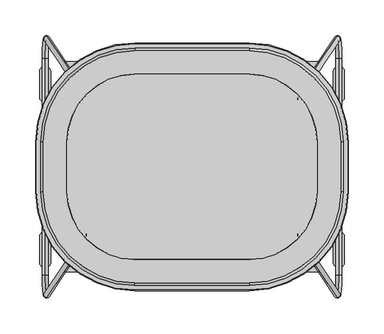
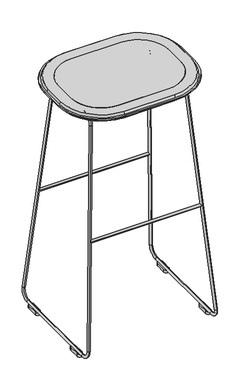
"""IFC4 building model written with IfcOpenShell, lengths in millimetres: furniture geometry."""

from ifc_helpers import new_model, si_unit, point, frame, frame_2d, origin, origin_with_axes, place, context, project, spatial, polyline, circle_curve, ellipse_curve, trimmed, segment, composite_curve, outline, extrude, source, transform, mapped, element, save
from ifc_brep_helpers import plane_surface, cylinder_surface, revolved_surface, advanced_brep


def furniture_90e65d8f(model_context):
    return source(origin(), model_context, "Body", "SolidModel", [
        advanced_brep(
        [(-152.2219568, -73.8518427, 767.2896891), (-151.7075535, -73.8518427, 775.2105032), (152.2243044, -73.8518427, 767.2896891), (151.7099011, -73.8518427, 775.2105032)],
        [
            (0, 1, circle_curve(frame((-151.9647551, -73.8518427, 771.2500961), z_axis=(-0.9978978351611841, 0.0, 0.06480671709492986), x_axis=(0.06480671709492986, 0.0, 0.9978978351611841)), 3.96875)),
            (1, 0, circle_curve(frame((-151.9647551, -73.8518427, 771.2500961), z_axis=(-0.9978978351611841, 0.0, 0.06480671709492986), x_axis=(0.06480671709492986, 0.0, 0.9978978351611841)), 3.96875)),
            (2, 3, circle_curve(frame((151.9671028, -73.8518427, 771.2500961), z_axis=(0.9978978351611819, 0.0, 0.06480671709496476), x_axis=(-0.06480671709496476, 0.0, 0.9978978351611819)), 3.96875)),
            (3, 2, circle_curve(frame((151.9671028, -73.8518427, 771.2500961), z_axis=(0.9978978351611819, 0.0, 0.06480671709496476), x_axis=(-0.06480671709496476, 0.0, 0.9978978351611819)), 3.96875)),
            (2, 0, circle_curve(frame((0.0011738, -73.8518427, 3111.2308621), z_axis=(0.0, 1.0, 0.0), x_axis=(-0.06480671709492986, 0.0, -0.9978978351611841)), 2348.8789036)),
            (1, 3, circle_curve(frame((0.0011738, -73.8518427, 3111.2308621), z_axis=(0.0, -1.0, 0.0), x_axis=(-0.06480671709492986, 0.0, -0.9978978351611841)), 2340.9414036)),
        ],
        [
            plane_surface(frame((-152.2223582, 0.0, 767.2835074), z_axis=(-0.9978978351611841, 0.0, 0.06480671709492986), x_axis=(0.0, 1.0, 0.0))),
            plane_surface(frame((152.2247059, 0.0, 767.2835074), z_axis=(0.9978978351611818, 0.0, 0.06480671709496476), x_axis=(0.0, 1.0, 0.0))),
            revolved_surface(trimmed(ellipse_curve(frame((-151.9647551, -73.8518427, 771.2500961), z_axis=(0.9978978351611841, 0.0, -0.06480671709492986), x_axis=(0.06480671709492986, 0.0, 0.9978978351611841)), 3.96875, 3.96875), [point((-152.2219568, -73.8518427, 767.2896891))], [point((-151.7075535, -73.8518427, 775.2105032))], True, "CARTESIAN"), (0.0011738, 0.0, 3111.2308621), (0.0, 1.0, 0.0)),
            revolved_surface(trimmed(ellipse_curve(frame((-151.9647551, -73.8518427, 771.2500961), z_axis=(0.9978978351611841, 0.0, -0.06480671709492986), x_axis=(0.06480671709492986, 0.0, 0.9978978351611841)), 3.96875, 3.96875), [point((-151.7075535, -73.8518427, 775.2105032))], [point((-152.2219568, -73.8518427, 767.2896891))], True, "CARTESIAN"), (0.0011738, 0.0, 3111.2308621), (0.0, 1.0, 0.0)),
        ],
        [
            (0, [[1, 2]]),
            (1, [[3, 4]]),
            (2, [[-3, 5, -2, 6]]),
            (3, [[-4, -6, -1, -5]]),
        ],
    ),
        advanced_brep(
        [(-152.2219568, 73.8518427, 767.2896891), (-151.7075535, 73.8518427, 775.2105032), (152.2243044, 73.8518427, 767.2896891), (151.7099011, 73.8518427, 775.2105032)],
        [
            (0, 1, circle_curve(frame((-151.9647551, 73.8518427, 771.2500961), z_axis=(-0.9978978351611841, 0.0, 0.06480671709492986), x_axis=(0.06480671709492986, 0.0, 0.9978978351611841)), 3.96875)),
            (1, 0, circle_curve(frame((-151.9647551, 73.8518427, 771.2500961), z_axis=(-0.9978978351611841, 0.0, 0.06480671709492986), x_axis=(0.06480671709492986, 0.0, 0.9978978351611841)), 3.96875)),
            (2, 3, circle_curve(frame((151.9671028, 73.8518427, 771.2500961), z_axis=(0.9978978351611819, 0.0, 0.06480671709496476), x_axis=(-0.06480671709496476, 0.0, 0.9978978351611819)), 3.96875)),
            (3, 2, circle_curve(frame((151.9671028, 73.8518427, 771.2500961), z_axis=(0.9978978351611819, 0.0, 0.06480671709496476), x_axis=(-0.06480671709496476, 0.0, 0.9978978351611819)), 3.96875)),
            (2, 0, circle_curve(frame((0.0011738, 73.8518427, 3111.2308621), z_axis=(0.0, 1.0, 0.0), x_axis=(-0.06480671709492986, 0.0, -0.9978978351611841)), 2348.8789036)),
            (1, 3, circle_curve(frame((0.0011738, 73.8518427, 3111.2308621), z_axis=(0.0, -1.0, 0.0), x_axis=(-0.06480671709492986, 0.0, -0.9978978351611841)), 2340.9414036)),
        ],
        [
            plane_surface(frame((-152.2223582, 0.0, 767.2835074), z_axis=(-0.9978978351611841, 0.0, 0.06480671709492986), x_axis=(0.0, 1.0, 0.0))),
            plane_surface(frame((152.2247059, 0.0, 767.2835074), z_axis=(0.9978978351611818, 0.0, 0.06480671709496476), x_axis=(0.0, 1.0, 0.0))),
            revolved_surface(trimmed(ellipse_curve(frame((-151.9647551, 73.8518427, 771.2500961), z_axis=(0.9978978351611841, 0.0, -0.06480671709492986), x_axis=(0.06480671709492986, 0.0, 0.9978978351611841)), 3.96875, 3.96875), [point((-152.2219568, 73.8518427, 767.2896891))], [point((-151.7075535, 73.8518427, 775.2105032))], True, "CARTESIAN"), (0.0011738, 0.0, 3111.2308621), (0.0, 1.0, 0.0)),
            revolved_surface(trimmed(ellipse_curve(frame((-151.9647551, 73.8518427, 771.2500961), z_axis=(0.9978978351611841, 0.0, -0.06480671709492986), x_axis=(0.06480671709492986, 0.0, 0.9978978351611841)), 3.96875, 3.96875), [point((-151.7075535, 73.8518427, 775.2105032))], [point((-152.2219568, 73.8518427, 767.2896891))], True, "CARTESIAN"), (0.0011738, 0.0, 3111.2308621), (0.0, 1.0, 0.0)),
        ],
        [
            (0, [[1, 2]]),
            (1, [[3, 4]]),
            (2, [[-3, 5, -2, 6]]),
            (3, [[-4, -6, -1, -5]]),
        ],
    ),
        advanced_brep(
        [(203.260303, 175.4787441, 41.2943989), (203.1981559, 183.618253, 42.1633927), (205.6999446, 152.1003304, 7.1812623), (205.1160044, 152.1003304, 15.3464097), (153.228669, 100.4073749, 740.879102), (153.1665218, 108.5468838, 741.7480958), (151.3252048, 70.715026, 767.4949508), (150.7412646, 70.715026, 775.6600981), (151.3252048, -70.715026, 767.4949508), (150.7412646, -70.715026, 775.6600981), (153.228669, -100.4073749, 740.879102), (153.1665218, -108.5468838, 741.7480958), (203.260303, -175.4787441, 41.2943989), (203.1981559, -183.618253, 42.1633927), (205.1160044, -152.1003304, 15.3464097), (205.6999446, -152.1003304, 7.1812623)],
        [
            (0, 1, circle_curve(frame((203.2292294, 179.5484985, 41.7288958), z_axis=(0.07092886182656054, 0.10642720112781405, -0.9917874507272657), x_axis=(-0.007591878338779237, 0.9943204970531885, 0.10615607624243352)), 4.0930007)),
            (1, 2, circle_curve(frame((203.4388028, 152.1003304, 38.7984626), z_axis=(-0.9974524850554426, 0.0, -0.07133400350970177), x_axis=(0.07133400350970177, 0.0, -0.9974524850554426)), 31.6979512)),
            (2, 3, circle_curve(frame((205.4079745, 152.1003304, 11.263836), z_axis=(0.0, 1.0, 0.0), x_axis=(0.07133400350970176, 0.0, -0.9974524850554426)), 4.0930007)),
            (3, 0, circle_curve(frame((203.4388028, 152.1003304, 38.7984626), z_axis=(0.9974524850554426, 0.0, 0.07133400350970177), x_axis=(0.07133400350970177, 0.0, -0.9974524850554426)), 23.5119499)),
            (1, 0, circle_curve(frame((203.2292294, 179.5484985, 41.7288958), z_axis=(0.07092886182656054, 0.10642720112781383, -0.9917874507272658), x_axis=(-0.0075918783387792215, 0.9943204970531886, 0.1061560762424333)), 4.0930007)),
            (3, 2, circle_curve(frame((205.4079745, 152.1003304, 11.263836), z_axis=(0.0, 1.0, 0.0), x_axis=(0.07133400350970176, 0.0, -0.9974524850554426)), 4.0930007)),
            (0, 4),
            (4, 5, circle_curve(frame((153.1975954, 104.4771293, 741.3135989), z_axis=(0.07092886182656041, 0.1064272011278203, -0.9917874507272652), x_axis=(-0.007591878338779707, 0.9943204970531878, 0.10615607624243974)), 4.0930007)),
            (5, 1),
            (5, 4, circle_curve(frame((153.1975954, 104.4771293, 741.3135989), z_axis=(0.07092886182656041, 0.1064272011278203, -0.9917874507272652), x_axis=(-0.007591878338779707, 0.9943204970531878, 0.10615607624243974)), 4.0930007)),
            (6, 7, circle_curve(frame((151.0332347, 70.715026, 771.5775244), z_axis=(0.0, 1.0, 0.0), x_axis=(-0.07133400350970182, 0.0, 0.9974524850554425)), 4.0930007)),
            (7, 5, circle_curve(frame((153.4553773, 70.715026, 737.7090746), z_axis=(-0.9974524850554426, 0.0, -0.07133400350970177), x_axis=(-0.0075918783387791365, 0.9943204970531886, 0.10615607624243231)), 38.0479512)),
            (4, 6, circle_curve(frame((153.4553773, 70.715026, 737.7090746), z_axis=(0.9974524850554426, 0.0, 0.07133400350970177), x_axis=(-0.0075918783387791365, 0.9943204970531886, 0.10615607624243231)), 29.8619499)),
            (7, 6, circle_curve(frame((151.0332347, 70.715026, 771.5775244), z_axis=(0.0, 1.0, 0.0), x_axis=(-0.07133400350970182, 0.0, 0.9974524850554426)), 4.0930007)),
            (6, 8),
            (8, 9, circle_curve(frame((151.0332347, -70.715026, 771.5775244), z_axis=(0.0, 1.0, 0.0), x_axis=(-0.07133400350970182, 0.0, 0.9974524850554426)), 4.0930007)),
            (9, 7),
            (9, 8, circle_curve(frame((151.0332347, -70.715026, 771.5775244), z_axis=(0.0, 1.0, 0.0), x_axis=(-0.07133400350970182, 0.0, 0.9974524850554426)), 4.0930007)),
            (10, 11, circle_curve(frame((153.1975954, -104.4771293, 741.3135989), z_axis=(-0.07092886182656048, 0.10642720112782857, 0.9917874507272642), x_axis=(-0.0075918783387803005, -0.9943204970531869, 0.106156076242448)), 4.0930007)),
            (11, 9, circle_curve(frame((153.4553773, -70.715026, 737.7090746), z_axis=(-0.9974524850554426, 0.0, -0.07133400350970177), x_axis=(-0.07133400350970177, 0.0, 0.9974524850554426)), 38.0479512)),
            (8, 10, circle_curve(frame((153.4553773, -70.715026, 737.7090746), z_axis=(0.9974524850554426, 0.0, 0.07133400350970177), x_axis=(-0.07133400350970177, 0.0, 0.9974524850554426)), 29.8619499)),
            (11, 10, circle_curve(frame((153.1975954, -104.4771293, 741.3135989), z_axis=(-0.07092886182656048, 0.10642720112782901, 0.9917874507272642), x_axis=(-0.007591878338780332, -0.9943204970531869, 0.10615607624244844)), 4.0930007)),
            (10, 12),
            (12, 13, circle_curve(frame((203.2292294, -179.5484985, 41.7288958), z_axis=(-0.07092886182656048, 0.10642720112782057, 0.991787450727265), x_axis=(-0.007591878338779721, -0.9943204970531878, 0.10615607624244003)), 4.0930007)),
            (13, 11),
            (13, 12, circle_curve(frame((203.2292294, -179.5484985, 41.7288958), z_axis=(-0.07092886182656048, 0.10642720112782057, 0.991787450727265), x_axis=(-0.007591878338779721, -0.9943204970531878, 0.10615607624244003)), 4.0930007)),
            (14, 15, circle_curve(frame((205.4079745, -152.1003304, 11.263836), z_axis=(0.0, -1.0, 0.0), x_axis=(0.07133400350970172, 0.0, -0.9974524850554426)), 4.0930007)),
            (15, 13, circle_curve(frame((203.4388028, -152.1003304, 38.7984626), z_axis=(-0.9974524850554426, 0.0, -0.07133400350970177), x_axis=(-0.007591878338779681, -0.9943204970531878, 0.10615607624243992)), 31.6979512)),
            (12, 14, circle_curve(frame((203.4388028, -152.1003304, 38.7984626), z_axis=(0.9974524850554426, 0.0, 0.07133400350970177), x_axis=(-0.007591878338779681, -0.9943204970531878, 0.10615607624243992)), 23.5119499)),
            (15, 14, circle_curve(frame((205.4079745, -152.1003304, 11.263836), z_axis=(0.0, -1.0, 0.0), x_axis=(0.07133400350970173, 0.0, -0.9974524850554426)), 4.0930007)),
            (14, 3),
            (2, 15),
        ],
        [
            revolved_surface(trimmed(ellipse_curve(frame((205.4079745, 152.1003304, 11.263836), z_axis=(0.0, 1.0, 0.0), x_axis=(0.07133400350970176, 0.0, -0.9974524850554426)), 4.0930007, 4.0930007), [point((205.6999446, 152.1003304, 7.1812623))], [point((205.1160044, 152.1003304, 15.3464097))], True, "CARTESIAN"), (204.0252812, 152.1003304, 38.8404053), (-0.9974524850554426, 0.0, -0.07133400350970177)),
            revolved_surface(trimmed(ellipse_curve(frame((205.4079745, 152.1003304, 11.263836), z_axis=(0.0, 1.0, 0.0), x_axis=(0.07133400350970176, 0.0, -0.9974524850554426)), 4.0930007, 4.0930007), [point((205.1160044, 152.1003304, 15.3464097))], [point((205.6999446, 152.1003304, 7.1812623))], True, "CARTESIAN"), (204.0252812, 152.1003304, 38.8404053), (-0.9974524850554426, 0.0, -0.07133400350970177)),
            cylinder_surface(frame((203.2292294, 179.5484985, 41.7288958), z_axis=(0.07092886182656041, 0.1064272011278203, -0.9917874507272652), x_axis=(-0.007591878338779707, 0.9943204970531878, 0.10615607624243974)), 4.0930007),
            revolved_surface(trimmed(ellipse_curve(frame((153.1975954, 104.4771293, 741.3135989), z_axis=(-0.07092886182656052, -0.10642720112781275, 0.9917874507272658), x_axis=(-0.007591878338779174, 0.9943204970531886, 0.10615607624243223)), 4.0930007, 4.0930007), [point((153.1665218, 108.5468838, 741.7480958))], [point((153.228669, 100.4073749, 740.879102))], True, "CARTESIAN"), (154.0418556, 70.715026, 737.7510173), (-0.9974524850554426, 0.0, -0.07133400350970177)),
            revolved_surface(trimmed(ellipse_curve(frame((153.1975954, 104.4771293, 741.3135989), z_axis=(-0.07092886182656052, -0.10642720112781275, 0.9917874507272658), x_axis=(-0.007591878338779174, 0.9943204970531886, 0.10615607624243223)), 4.0930007, 4.0930007), [point((153.228669, 100.4073749, 740.879102))], [point((153.1665218, 108.5468838, 741.7480958))], True, "CARTESIAN"), (154.0418556, 70.715026, 737.7510173), (-0.9974524850554426, 0.0, -0.07133400350970177)),
            cylinder_surface(frame((151.0332347, 70.715026, 771.5775244), z_axis=(0.0, 1.0000000000000002, 0.0), x_axis=(-0.07133400350970182, 0.0, 0.9974524850554426)), 4.0930007),
            revolved_surface(trimmed(ellipse_curve(frame((151.0332347, -70.715026, 771.5775244), z_axis=(0.0, -1.0, 0.0), x_axis=(-0.07133400350970182, 0.0, 0.9974524850554426)), 4.0930007, 4.0930007), [point((150.7412646, -70.715026, 775.6600981))], [point((151.3252048, -70.715026, 767.4949508))], True, "CARTESIAN"), (154.0418556, -70.715026, 737.7510173), (-0.9974524850554426, 0.0, -0.07133400350970177)),
            revolved_surface(trimmed(ellipse_curve(frame((151.0332347, -70.715026, 771.5775244), z_axis=(0.0, -1.0, 0.0), x_axis=(-0.07133400350970182, 0.0, 0.9974524850554426)), 4.0930007, 4.0930007), [point((151.3252048, -70.715026, 767.4949508))], [point((150.7412646, -70.715026, 775.6600981))], True, "CARTESIAN"), (154.0418556, -70.715026, 737.7510173), (-0.9974524850554426, 0.0, -0.07133400350970177)),
            cylinder_surface(frame((153.1975954, -104.4771293, 741.3135989), z_axis=(-0.07092886182656048, 0.10642720112782057, 0.991787450727265), x_axis=(-0.007591878338779721, -0.9943204970531878, 0.10615607624244003)), 4.0930007),
            revolved_surface(trimmed(ellipse_curve(frame((203.2292294, -179.5484985, 41.7288958), z_axis=(0.07092886182656055, -0.1064272011278207, -0.991787450727265), x_axis=(-0.007591878338779734, -0.9943204970531878, 0.10615607624244015)), 4.0930007, 4.0930007), [point((203.1981559, -183.618253, 42.1633927))], [point((203.260303, -175.4787441, 41.2943989))], True, "CARTESIAN"), (204.0252812, -152.1003304, 38.8404053), (-0.9974524850554426, 0.0, -0.07133400350970177)),
            revolved_surface(trimmed(ellipse_curve(frame((203.2292294, -179.5484985, 41.7288958), z_axis=(0.07092886182656055, -0.1064272011278207, -0.991787450727265), x_axis=(-0.007591878338779734, -0.9943204970531878, 0.10615607624244015)), 4.0930007, 4.0930007), [point((203.260303, -175.4787441, 41.2943989))], [point((203.1981559, -183.618253, 42.1633927))], True, "CARTESIAN"), (204.0252812, -152.1003304, 38.8404053), (-0.9974524850554426, 0.0, -0.07133400350970177)),
            cylinder_surface(frame((205.4079745, -152.1003304, 11.263836), z_axis=(0.0, -1.0, 0.0), x_axis=(0.07133400350970175, 0.0, -0.9974524850554426)), 4.0930007),
        ],
        [
            (0, [[1, 2, 3, 4]]),
            (1, [[5, -4, 6, -2]]),
            (2, [[7, 8, 9, -1]]),
            (2, [[-9, 10, -7, -5]]),
            (3, [[11, 12, -8, 13]]),
            (4, [[14, -13, -10, -12]]),
            (5, [[15, 16, 17, -11]]),
            (5, [[-17, 18, -15, -14]]),
            (6, [[19, 20, -16, 21]]),
            (7, [[22, -21, -18, -20]]),
            (8, [[23, 24, 25, -19]]),
            (8, [[-25, 26, -23, -22]]),
            (9, [[27, 28, -24, 29]]),
            (10, [[30, -29, -26, -28]]),
            (11, [[31, -3, 32, -27]]),
            (11, [[-32, -6, -31, -30]]),
        ],
    ),
        advanced_brep(
        [(-203.1981559, 183.618253, 42.1633927), (-203.260303, 175.4787441, 41.2943989), (-205.1160044, 152.1003304, 15.3464097), (-205.6999446, 152.1003304, 7.1812623), (-153.1665218, 108.5468838, 741.7480958), (-153.228669, 100.4073749, 740.879102), (-150.7412646, 70.715026, 775.6600981), (-151.3252048, 70.715026, 767.4949508), (-150.7412646, -70.715026, 775.6600981), (-151.3252048, -70.715026, 767.4949508), (-153.1665218, -108.5468838, 741.7480958), (-153.228669, -100.4073749, 740.879102), (-203.1981559, -183.618253, 42.1633927), (-203.260303, -175.4787441, 41.2943989), (-205.6999446, -152.1003304, 7.1812623), (-205.1160044, -152.1003304, 15.3464097)],
        [
            (0, 1, circle_curve(frame((-203.2292294, 179.5484985, 41.7288958), z_axis=(-0.07092886182656054, 0.10642720112781372, -0.9917874507272658), x_axis=(0.007591878338779172, 0.9943204970531886, 0.10615607624243319)), 4.0930007)),
            (1, 2, circle_curve(frame((-203.4388028, 152.1003304, 38.7984626), z_axis=(-0.9974524850554426, 0.0, 0.07133400350970177), x_axis=(-0.07133400350970177, 0.0, -0.9974524850554426)), 23.5119499)),
            (2, 3, circle_curve(frame((-205.4079745, 152.1003304, 11.263836), z_axis=(0.0, 1.0, 0.0), x_axis=(-0.0713340035097018, 0.0, -0.9974524850554426)), 4.0930007)),
            (3, 0, circle_curve(frame((-203.4388028, 152.1003304, 38.7984626), z_axis=(0.9974524850554426, 0.0, -0.07133400350970177), x_axis=(-0.07133400350970177, 0.0, -0.9974524850554426)), 31.6979512)),
            (1, 0, circle_curve(frame((-203.2292294, 179.5484985, 41.7288958), z_axis=(-0.07092886182656054, 0.10642720112781394, -0.9917874507272658), x_axis=(0.007591878338779188, 0.9943204970531886, 0.10615607624243341)), 4.0930007)),
            (3, 2, circle_curve(frame((-205.4079745, 152.1003304, 11.263836), z_axis=(0.0, 1.0, 0.0), x_axis=(-0.0713340035097018, 0.0, -0.9974524850554426)), 4.0930007)),
            (0, 4),
            (4, 5, circle_curve(frame((-153.1975954, 104.4771293, 741.3135989), z_axis=(-0.07092886182656041, 0.1064272011278204, -0.9917874507272652), x_axis=(0.007591878338779666, 0.9943204970531878, 0.10615607624243985)), 4.0930007)),
            (5, 1),
            (5, 4, circle_curve(frame((-153.1975954, 104.4771293, 741.3135989), z_axis=(-0.07092886182656041, 0.1064272011278204, -0.9917874507272652), x_axis=(0.007591878338779666, 0.9943204970531878, 0.10615607624243985)), 4.0930007)),
            (6, 7, circle_curve(frame((-151.0332347, 70.715026, 771.5775244), z_axis=(0.0, 1.0, 0.0), x_axis=(0.07133400350970176, 0.0, 0.9974524850554426)), 4.0930007)),
            (7, 5, circle_curve(frame((-153.4553773, 70.715026, 737.7090746), z_axis=(-0.9974524850554426, 0.0, 0.07133400350970177), x_axis=(0.007591878338779388, 0.9943204970531883, 0.10615607624243582)), 29.8619499)),
            (4, 6, circle_curve(frame((-153.4553773, 70.715026, 737.7090746), z_axis=(0.9974524850554426, 0.0, -0.07133400350970177), x_axis=(0.007591878338779388, 0.9943204970531883, 0.10615607624243582)), 38.0479512)),
            (7, 6, circle_curve(frame((-151.0332347, 70.715026, 771.5775244), z_axis=(0.0, 1.0, 0.0), x_axis=(0.07133400350970175, 0.0, 0.9974524850554426)), 4.0930007)),
            (6, 8),
            (8, 9, circle_curve(frame((-151.0332347, -70.715026, 771.5775244), z_axis=(0.0, 1.0, 0.0), x_axis=(0.07133400350970175, 0.0, 0.9974524850554426)), 4.0930007)),
            (9, 7),
            (9, 8, circle_curve(frame((-151.0332347, -70.715026, 771.5775244), z_axis=(0.0, 1.0, 0.0), x_axis=(0.07133400350970175, 0.0, 0.9974524850554426)), 4.0930007)),
            (10, 11, circle_curve(frame((-153.1975954, -104.4771293, 741.3135989), z_axis=(0.0709288618265605, 0.10642720112782841, 0.9917874507272642), x_axis=(0.00759187833878022, -0.9943204970531869, 0.10615607624244784)), 4.0930007)),
            (11, 9, circle_curve(frame((-153.4553773, -70.715026, 737.7090746), z_axis=(-0.9974524850554426, 0.0, 0.07133400350970177), x_axis=(0.07133400350970177, 0.0, 0.9974524850554426)), 29.8619499)),
            (8, 10, circle_curve(frame((-153.4553773, -70.715026, 737.7090746), z_axis=(0.9974524850554426, 0.0, -0.07133400350970177), x_axis=(0.07133400350970177, 0.0, 0.9974524850554426)), 38.0479512)),
            (11, 10, circle_curve(frame((-153.1975954, -104.4771293, 741.3135989), z_axis=(0.07092886182656051, 0.10642720112782776, 0.9917874507272643), x_axis=(0.007591878338780174, -0.994320497053187, 0.10615607624244719)), 4.0930007)),
            (10, 12),
            (12, 13, circle_curve(frame((-203.2292294, -179.5484985, 41.7288958), z_axis=(0.07092886182656051, 0.10642720112782042, 0.991787450727265), x_axis=(0.0075918783387796535, -0.9943204970531878, 0.10615607624243988)), 4.0930007)),
            (13, 11),
            (13, 12, circle_curve(frame((-203.2292294, -179.5484985, 41.7288958), z_axis=(0.07092886182656051, 0.10642720112782042, 0.991787450727265), x_axis=(0.0075918783387796535, -0.9943204970531878, 0.10615607624243988)), 4.0930007)),
            (14, 15, circle_curve(frame((-205.4079745, -152.1003304, 11.263836), z_axis=(0.0, -1.0, 0.0), x_axis=(-0.0713340035097018, 0.0, -0.9974524850554426)), 4.0930007)),
            (15, 13, circle_curve(frame((-203.4388028, -152.1003304, 38.7984626), z_axis=(-0.9974524850554426, 0.0, 0.07133400350970177), x_axis=(0.007591878338779681, -0.9943204970531878, 0.10615607624243992)), 23.5119499)),
            (12, 14, circle_curve(frame((-203.4388028, -152.1003304, 38.7984626), z_axis=(0.9974524850554426, 0.0, -0.07133400350970177), x_axis=(0.007591878338779681, -0.9943204970531878, 0.10615607624243992)), 31.6979512)),
            (15, 14, circle_curve(frame((-205.4079745, -152.1003304, 11.263836), z_axis=(0.0, -1.0, 0.0), x_axis=(-0.07133400350970179, 0.0, -0.9974524850554426)), 4.0930007)),
            (14, 3),
            (2, 15),
        ],
        [
            revolved_surface(trimmed(ellipse_curve(frame((-205.4079745, 152.1003304, 11.263836), z_axis=(0.0, 1.0, 0.0), x_axis=(-0.0713340035097018, 0.0, -0.9974524850554426)), 4.0930007, 4.0930007), [point((-205.1160044, 152.1003304, 15.3464097))], [point((-205.6999446, 152.1003304, 7.1812623))], True, "CARTESIAN"), (-204.0252812, 152.1003304, 38.8404053), (-0.9974524850554426, 0.0, 0.07133400350970177)),
            revolved_surface(trimmed(ellipse_curve(frame((-205.4079745, 152.1003304, 11.263836), z_axis=(0.0, 1.0, 0.0), x_axis=(-0.0713340035097018, 0.0, -0.9974524850554426)), 4.0930007, 4.0930007), [point((-205.6999446, 152.1003304, 7.1812623))], [point((-205.1160044, 152.1003304, 15.3464097))], True, "CARTESIAN"), (-204.0252812, 152.1003304, 38.8404053), (-0.9974524850554426, 0.0, 0.07133400350970177)),
            cylinder_surface(frame((-203.2292294, 179.5484985, 41.7288958), z_axis=(-0.07092886182656041, 0.1064272011278204, -0.9917874507272652), x_axis=(0.007591878338779666, 0.9943204970531878, 0.10615607624243985)), 4.0930007),
            revolved_surface(trimmed(ellipse_curve(frame((-153.1975954, 104.4771293, 741.3135989), z_axis=(0.07092886182656048, -0.10642720112781638, 0.9917874507272655), x_axis=(0.007591878338779381, 0.9943204970531883, 0.10615607624243584)), 4.0930007, 4.0930007), [point((-153.228669, 100.4073749, 740.879102))], [point((-153.1665218, 108.5468838, 741.7480958))], True, "CARTESIAN"), (-154.0418556, 70.715026, 737.7510173), (-0.9974524850554426, 0.0, 0.07133400350970177)),
            revolved_surface(trimmed(ellipse_curve(frame((-153.1975954, 104.4771293, 741.3135989), z_axis=(0.07092886182656048, -0.10642720112781638, 0.9917874507272655), x_axis=(0.007591878338779381, 0.9943204970531883, 0.10615607624243584)), 4.0930007, 4.0930007), [point((-153.1665218, 108.5468838, 741.7480958))], [point((-153.228669, 100.4073749, 740.879102))], True, "CARTESIAN"), (-154.0418556, 70.715026, 737.7510173), (-0.9974524850554426, 0.0, 0.07133400350970177)),
            cylinder_surface(frame((-151.0332347, 70.715026, 771.5775244), z_axis=(0.0, 1.0000000000000002, 0.0), x_axis=(0.07133400350970175, 0.0, 0.9974524850554426)), 4.0930007),
            revolved_surface(trimmed(ellipse_curve(frame((-151.0332347, -70.715026, 771.5775244), z_axis=(0.0, -1.0, 0.0), x_axis=(0.07133400350970175, 0.0, 0.9974524850554426)), 4.0930007, 4.0930007), [point((-151.3252048, -70.715026, 767.4949508))], [point((-150.7412646, -70.715026, 775.6600981))], True, "CARTESIAN"), (-154.0418556, -70.715026, 737.7510173), (-0.9974524850554426, 0.0, 0.07133400350970177)),
            revolved_surface(trimmed(ellipse_curve(frame((-151.0332347, -70.715026, 771.5775244), z_axis=(0.0, -1.0, 0.0), x_axis=(0.07133400350970175, 0.0, 0.9974524850554426)), 4.0930007, 4.0930007), [point((-150.7412646, -70.715026, 775.6600981))], [point((-151.3252048, -70.715026, 767.4949508))], True, "CARTESIAN"), (-154.0418556, -70.715026, 737.7510173), (-0.9974524850554426, 0.0, 0.07133400350970177)),
            cylinder_surface(frame((-153.1975954, -104.4771293, 741.3135989), z_axis=(0.07092886182656051, 0.10642720112782042, 0.991787450727265), x_axis=(0.0075918783387796535, -0.9943204970531878, 0.10615607624243988)), 4.0930007),
            revolved_surface(trimmed(ellipse_curve(frame((-203.2292294, -179.5484985, 41.7288958), z_axis=(-0.07092886182656058, -0.10642720112782049, -0.991787450727265), x_axis=(0.007591878338779663, -0.9943204970531878, 0.10615607624243995)), 4.0930007, 4.0930007), [point((-203.260303, -175.4787441, 41.2943989))], [point((-203.1981559, -183.618253, 42.1633927))], True, "CARTESIAN"), (-204.0252812, -152.1003304, 38.8404053), (-0.9974524850554426, 0.0, 0.07133400350970177)),
            revolved_surface(trimmed(ellipse_curve(frame((-203.2292294, -179.5484985, 41.7288958), z_axis=(-0.07092886182656058, -0.10642720112782049, -0.991787450727265), x_axis=(0.007591878338779663, -0.9943204970531878, 0.10615607624243995)), 4.0930007, 4.0930007), [point((-203.1981559, -183.618253, 42.1633927))], [point((-203.260303, -175.4787441, 41.2943989))], True, "CARTESIAN"), (-204.0252812, -152.1003304, 38.8404053), (-0.9974524850554426, 0.0, 0.07133400350970177)),
            cylinder_surface(frame((-205.4079745, -152.1003304, 11.263836), z_axis=(0.0, -1.0, 0.0), x_axis=(-0.07133400350970179, 0.0, -0.9974524850554426)), 4.0930007),
        ],
        [
            (0, [[1, 2, 3, 4]]),
            (1, [[5, -4, 6, -2]]),
            (2, [[7, 8, 9, -1]]),
            (2, [[-9, 10, -7, -5]]),
            (3, [[11, 12, -8, 13]]),
            (4, [[14, -13, -10, -12]]),
            (5, [[15, 16, 17, -11]]),
            (5, [[-17, 18, -15, -14]]),
            (6, [[19, 20, -16, 21]]),
            (7, [[22, -21, -18, -20]]),
            (8, [[23, 24, 25, -19]]),
            (8, [[-25, 26, -23, -22]]),
            (9, [[27, 28, -24, 29]]),
            (10, [[30, -29, -26, -28]]),
            (11, [[31, -3, 32, -27]]),
            (11, [[-32, -6, -31, -30]]),
        ],
    ),
        extrude(outline(composite_curve([segment(polyline([(-213.3454624, 98.4608338), (-213.3454624, 133.2109976)]), True, "CONTINUOUS"), segment(trimmed(circle_curve(frame_2d((-205.4079654, 133.2109976)), 7.937497), [point((-213.3454624, 133.2109976))], [point((-197.4704684, 133.2109976))], False, "CARTESIAN"), True, "CONTINUOUS"), segment(polyline([(-197.4704684, 133.2109976), (-197.4704684, 98.4608338)]), True, "CONTINUOUS"), segment(trimmed(circle_curve(frame_2d((-205.4079654, 98.4608338)), 7.937497), [point((-197.4704684, 98.4608338))], [point((-213.3454624, 98.4608338))], False, "CARTESIAN"), True, "CONTINUOUS")], self_intersect=False)), origin_with_axes(), (0.0, 0.0, 1.0), 9.5254122),
        extrude(outline(composite_curve([segment(trimmed(circle_curve(frame_2d((-205.4079654, -98.4608338)), 7.937497), [point((-213.3454624, -98.4608338))], [point((-197.4704684, -98.4608338))], False, "CARTESIAN"), True, "CONTINUOUS"), segment(polyline([(-197.4704684, -98.4608338), (-197.4704684, -133.2109976)]), True, "CONTINUOUS"), segment(trimmed(circle_curve(frame_2d((-205.4079654, -133.2109976)), 7.937497), [point((-197.4704684, -133.2109976))], [point((-213.3454624, -133.2109976))], False, "CARTESIAN"), True, "CONTINUOUS"), segment(polyline([(-213.3454624, -133.2109976), (-213.3454624, -98.4608338)]), True, "CONTINUOUS")], self_intersect=False)), origin_with_axes(), (0.0, 0.0, 1.0), 9.5254122),
        extrude(outline(composite_curve([segment(trimmed(circle_curve(frame_2d((205.4079654, 98.4608338)), 7.937497), [point((213.3454624, 98.4608338))], [point((197.4704684, 98.4608338))], False, "CARTESIAN"), True, "CONTINUOUS"), segment(polyline([(197.4704684, 98.4608338), (197.4704684, 133.2109976)]), True, "CONTINUOUS"), segment(trimmed(circle_curve(frame_2d((205.4079654, 133.2109976)), 7.937497), [point((197.4704684, 133.2109976))], [point((213.3454624, 133.2109976))], False, "CARTESIAN"), True, "CONTINUOUS"), segment(polyline([(213.3454624, 133.2109976), (213.3454624, 98.4608338)]), True, "CONTINUOUS")], self_intersect=False)), origin_with_axes(), (0.0, 0.0, 1.0), 9.5254122),
        extrude(outline(composite_curve([segment(polyline([(213.3454624, -98.4608338), (213.3454624, -133.2109976)]), True, "CONTINUOUS"), segment(trimmed(circle_curve(frame_2d((205.4079654, -133.2109976)), 7.937497), [point((213.3454624, -133.2109976))], [point((197.4704684, -133.2109976))], False, "CARTESIAN"), True, "CONTINUOUS"), segment(polyline([(197.4704684, -133.2109976), (197.4704684, -98.4608338)]), True, "CONTINUOUS"), segment(trimmed(circle_curve(frame_2d((205.4079654, -98.4608338)), 7.937497), [point((197.4704684, -98.4608338))], [point((213.3454624, -98.4608338))], False, "CARTESIAN"), True, "CONTINUOUS")], self_intersect=False)), origin_with_axes(), (0.0, 0.0, 1.0), 9.5254122),
        extrude(outline(composite_curve([segment(trimmed(circle_curve(frame_2d((143.301265, 380.5816105)), 3.96875), [point((147.270015, 380.5816105))], [point((139.332515, 380.5816105))], False, "CARTESIAN"), True, "CONTINUOUS"), segment(trimmed(circle_curve(frame_2d((143.301265, 380.5816105)), 3.96875), [point((139.332515, 380.5816105))], [point((147.270015, 380.5816105))], False, "CARTESIAN"), True, "CONTINUOUS")], self_intersect=False)), frame((-177.8, 0.0, 0.0), z_axis=(1.0, 0.0, 0.0), x_axis=(0.0, 1.0, 0.0)), (0.0, 0.0, 1.0), 355.6),
        extrude(outline(composite_curve([segment(trimmed(circle_curve(frame_2d((-143.301265, 380.5816105)), 3.96875), [point((-147.270015, 380.5816105))], [point((-139.332515, 380.5816105))], False, "CARTESIAN"), True, "CONTINUOUS"), segment(trimmed(circle_curve(frame_2d((-143.301265, 380.5816105)), 3.96875), [point((-139.332515, 380.5816105))], [point((-147.270015, 380.5816105))], False, "CARTESIAN"), True, "CONTINUOUS")], self_intersect=False)), frame((-177.8, 0.0, 0.0), z_axis=(1.0, 0.0, 0.0), x_axis=(0.0, 1.0, 0.0)), (0.0, 0.0, 1.0), 355.6),
        advanced_brep(
        [(-175.021491, 34.925, 798.2493229), (-175.021491, -34.925, 798.2493229), (-80.1154768, -129.8310142, 798.2493229), (80.1154768, -129.8310142, 798.2493229), (175.021491, -34.925, 798.2493229), (175.021491, 34.925, 798.2493229), (80.1154768, 129.8310142, 798.2493229), (-80.1154768, 129.8310142, 798.2493229), (-178.5135382, 34.925, 774.7250418), (-80.1154768, 133.3230614, 774.7250418), (80.1154768, 133.3230614, 774.7250418), (178.5135382, 34.925, 774.7250418), (178.5135382, -34.925, 774.7250418), (80.1154768, -133.3230614, 774.7250418), (-80.1154768, -133.3230614, 774.7250418), (-178.5135382, -34.925, 774.7250418)],
        [
            (0, 1),
            (1, 2, circle_curve(frame((-80.1154768, -34.925, 798.2493229), z_axis=(0.0, 0.0, 1.0), x_axis=(0.0, -1.0000000000000002, 0.0)), 94.9060142)),
            (2, 3),
            (3, 4, circle_curve(frame((80.1154768, -34.925, 798.2493229), z_axis=(0.0, 0.0, 1.0), x_axis=(1.0000000000000002, 0.0, 0.0)), 94.9060142)),
            (4, 5),
            (5, 6, circle_curve(frame((80.1154768, 34.925, 798.2493229), z_axis=(0.0, 0.0, 1.0), x_axis=(0.0, 1.0000000000000002, 0.0)), 94.9060142)),
            (6, 7),
            (7, 0, circle_curve(frame((-80.1154768, 34.925, 798.2493229), z_axis=(0.0, 0.0, 1.0), x_axis=(-1.0000000000000002, 0.0, 0.0)), 94.9060142)),
            (8, 9, circle_curve(frame((-80.1154768, 34.925, 774.7250418), z_axis=(0.0, 0.0, -1.0), x_axis=(-1.0000000000000002, 0.0, 0.0)), 98.3980614)),
            (9, 10),
            (10, 11, circle_curve(frame((80.1154768, 34.925, 774.7250418), z_axis=(0.0, 0.0, -1.0), x_axis=(0.0, 1.0000000000000002, 0.0)), 98.3980614)),
            (11, 12),
            (12, 13, circle_curve(frame((80.1154768, -34.925, 774.7250418), z_axis=(0.0, 0.0, -1.0), x_axis=(1.0000000000000002, 0.0, 0.0)), 98.3980614)),
            (13, 14),
            (14, 15, circle_curve(frame((-80.1154768, -34.925, 774.7250418), z_axis=(0.0, 0.0, -1.0), x_axis=(0.0, -1.0000000000000002, 0.0)), 98.3980614)),
            (15, 8),
            (8, 0),
            (7, 9),
            (6, 10),
            (5, 11),
            (4, 12),
            (3, 13),
            (2, 14),
            (1, 15),
        ],
        [
            plane_surface(frame((0.0, 0.0, 798.2493229), z_axis=(0.0, 0.0, 1.0), x_axis=(0.0, -1.0, 0.0))),
            plane_surface(frame((0.0, 0.0, 774.7250418), z_axis=(0.0, 0.0, -1.0), x_axis=(0.0, -1.0, 0.0))),
            revolved_surface(polyline([(-175.0214909970936, 34.925, 798.2493229), (-178.5135382, 34.925, 774.7250418)]), (-80.1154768, 34.925, 1437.5865444), (0.0, 0.0, -1.0)),
            plane_surface(frame((0.0, 133.3230614, 774.7250418), z_axis=(0.0, 0.9891609433288521, 0.14683537786506212), x_axis=(1.0, 0.0, 0.0))),
            revolved_surface(polyline([(80.1154768, 129.8310141970936, 798.2493229), (80.1154768, 133.3230614, 774.7250418)]), (80.1154768, 34.925, 1437.5865444), (0.0, 0.0, -1.0)),
            plane_surface(frame((178.5135382, 0.0, 774.7250418), z_axis=(0.9891609433288486, 0.0, 0.14683537786508508), x_axis=(0.0, -1.0, 0.0))),
            revolved_surface(polyline([(175.0214909970936, -34.925, 798.2493229), (178.5135382, -34.925, 774.7250418)]), (80.1154768, -34.925, 1437.5865444), (0.0, 0.0, -1.0)),
            plane_surface(frame((0.0, -133.3230614, 774.7250418), z_axis=(0.0, -0.989160943328852, 0.1468353778650628), x_axis=(-1.0, 0.0, 0.0))),
            revolved_surface(polyline([(-80.1154768, -129.8310141970936, 798.2493229), (-80.1154768, -133.3230614, 774.7250418)]), (-80.1154768, -34.925, 1437.5865444), (0.0, 0.0, -1.0)),
            plane_surface(frame((-178.5135382, 0.0, 774.7250418), z_axis=(-0.9891609433288486, 0.0, 0.14683537786508508), x_axis=(0.0, 1.0, 0.0))),
        ],
        [
            (0, [[1, 2, 3, 4, 5, 6, 7, 8]]),
            (1, [[9, 10, 11, 12, 13, 14, 15, 16]]),
            (2, [[17, -8, 18, -9]]),
            (3, [[-18, -7, 19, -10]]),
            (4, [[-19, -6, 20, -11]]),
            (5, [[-20, -5, 21, -12]]),
            (6, [[-21, -4, 22, -13]]),
            (7, [[-22, -3, 23, -14]]),
            (8, [[-23, -2, 24, -15]]),
            (9, [[-24, -1, -17, -16]]),
        ],
    ),
        advanced_brep(
        [(80.1154768, -129.8310142, 798.2493229), (80.1154768, -133.3230614, 774.7250418), (-80.1154768, -133.3230614, 774.7250418), (-80.1154768, -129.8310142, 798.2493229), (-80.1154768, 162.6409798, 798.2493229), (-207.8314566, 34.925, 798.2493229), (-207.8314566, -34.925, 798.2493229), (-80.1154768, -162.6409798, 798.2493229), (80.1154768, -162.6409798, 798.2493229), (207.8314566, -34.925, 798.2493229), (207.8314566, 34.925, 798.2493229), (80.1154768, 162.6409798, 798.2493229), (-175.021491, -34.925, 798.2493229), (-175.021491, 34.925, 798.2493229), (-80.1154768, 129.8310142, 798.2493229), (80.1154768, 129.8310142, 798.2493229), (175.021491, 34.925, 798.2493229), (175.021491, -34.925, 798.2493229), (-80.1154768, -166.2791169, 790.4473126), (80.1154768, -166.2791169, 790.4473126), (-80.1154768, 172.6291169, 790.4473126), (-217.8195937, 34.925, 790.4473126), (-217.8195937, -34.925, 790.4473126), (-80.1154768, -172.6291169, 790.4473126), (80.1154768, -172.6291169, 790.4473126), (217.8195937, -34.925, 790.4473126), (217.8195937, 34.925, 790.4473126), (80.1154768, 172.6291169, 790.4473126), (-211.4695937, -34.925, 790.4473126), (-211.4695937, 34.925, 790.4473126), (-80.1154768, 166.2791169, 790.4473126), (80.1154768, 166.2791169, 790.4473126), (211.4695937, 34.925, 790.4473126), (211.4695937, -34.925, 790.4473126), (-80.1154768, -173.4175169, 787.5049637), (80.1154768, -173.4175169, 787.5049637), (-218.6079938, -34.925, 787.5049637), (-218.6079938, 34.925, 787.5049637), (-80.1154768, 173.4175169, 787.5049637), (80.1154768, 173.4175169, 787.5049637), (218.6079938, 34.925, 787.5049637), (218.6079938, -34.925, 787.5049637), (-80.1154768, 167.0675169, 787.5049637), (-212.2579938, 34.925, 787.5049637), (-212.2579938, -34.925, 787.5049637), (-80.1154768, -167.0675169, 787.5049637), (80.1154768, -167.0675169, 787.5049637), (212.2579938, -34.925, 787.5049637), (212.2579938, 34.925, 787.5049637), (80.1154768, 167.0675169, 787.5049637), (-80.1154768, -163.4840689, 777.6595211), (80.1154768, -163.4840689, 777.6595211), (178.5135382, -34.925, 774.7250418), (208.6745457, -34.925, 777.6595211), (178.5135382, 34.925, 774.7250418), (208.6745457, 34.925, 777.6595211), (-178.5135382, -34.925, 774.7250418), (-208.6745457, -34.925, 777.6595211), (-178.5135382, 34.925, 774.7250418), (-208.6745457, 34.925, 777.6595211), (-80.1154768, 133.3230614, 774.7250418), (-80.1154768, 163.4840689, 777.6595211), (80.1154768, 133.3230614, 774.7250418), (80.1154768, 163.4840689, 777.6595211)],
        [
            (0, 1),
            (1, 2),
            (2, 3),
            (3, 0),
            (4, 5, circle_curve(frame((-80.1154768, 34.925, 798.2493229), z_axis=(0.0, 0.0, 1.0), x_axis=(-1.0000000000000002, 0.0, 0.0)), 127.7159798)),
            (5, 6),
            (6, 7, circle_curve(frame((-80.1154768, -34.925, 798.2493229), z_axis=(0.0, 0.0, 1.0), x_axis=(-1.0000000000000002, 0.0, 0.0)), 127.7159798)),
            (7, 8),
            (8, 9, circle_curve(frame((80.1154768, -34.925, 798.2493229), z_axis=(0.0, 0.0, 1.0), x_axis=(1.0000000000000002, 0.0, 0.0)), 127.7159798)),
            (9, 10),
            (10, 11, circle_curve(frame((80.1154768, 34.925, 798.2493229), z_axis=(0.0, 0.0, 1.0), x_axis=(1.0000000000000002, 0.0, 0.0)), 127.7159798)),
            (11, 4),
            (3, 12, circle_curve(frame((-80.1154768, -34.925, 798.2493229), z_axis=(0.0, 0.0, -1.0), x_axis=(-1.0000000000000002, 0.0, 0.0)), 94.9060142)),
            (12, 13),
            (13, 14, circle_curve(frame((-80.1154768, 34.925, 798.2493229), z_axis=(0.0, 0.0, -1.0), x_axis=(-1.0000000000000002, 0.0, 0.0)), 94.9060142)),
            (14, 15),
            (15, 16, circle_curve(frame((80.1154768, 34.925, 798.2493229), z_axis=(0.0, 0.0, -1.0), x_axis=(1.0000000000000002, 0.0, 0.0)), 94.9060142)),
            (16, 17),
            (17, 0, circle_curve(frame((80.1154768, -34.925, 798.2493229), z_axis=(0.0, 0.0, -1.0), x_axis=(1.0000000000000002, 0.0, 0.0)), 94.9060142)),
            (7, 18, circle_curve(frame((-80.1154768, -153.8392427, 789.3957548), z_axis=(1.0, 0.0, 0.0), x_axis=(0.0, -1.0000000000000002, 0.0)), 12.4842398)),
            (18, 19),
            (19, 8, circle_curve(frame((80.1154768, -153.8392427, 789.3957548), z_axis=(-1.0, 0.0, 0.0), x_axis=(0.0, -1.0000000000000002, 0.0)), 12.4842398)),
            (20, 21, circle_curve(frame((-80.1154768, 34.925, 790.4473126), z_axis=(0.0, 0.0, 1.0), x_axis=(-1.0000000000000002, 0.0, 0.0)), 137.7041169)),
            (21, 22),
            (22, 23, circle_curve(frame((-80.1154768, -34.925, 790.4473126), z_axis=(0.0, 0.0, 1.0), x_axis=(-1.0000000000000002, 0.0, 0.0)), 137.7041169)),
            (23, 24),
            (24, 25, circle_curve(frame((80.1154768, -34.925, 790.4473126), z_axis=(0.0, 0.0, 1.0), x_axis=(1.0000000000000002, 0.0, 0.0)), 137.7041169)),
            (25, 26),
            (26, 27, circle_curve(frame((80.1154768, 34.925, 790.4473126), z_axis=(0.0, 0.0, 1.0), x_axis=(1.0000000000000002, 0.0, 0.0)), 137.7041169)),
            (27, 20),
            (18, 28, circle_curve(frame((-80.1154768, -34.925, 790.4473126), z_axis=(0.0, 0.0, -1.0), x_axis=(-1.0000000000000002, 0.0, 0.0)), 131.3541169)),
            (28, 29),
            (29, 30, circle_curve(frame((-80.1154768, 34.925, 790.4473126), z_axis=(0.0, 0.0, -1.0), x_axis=(-1.0000000000000002, 0.0, 0.0)), 131.3541169)),
            (30, 31),
            (31, 32, circle_curve(frame((80.1154768, 34.925, 790.4473126), z_axis=(0.0, 0.0, -1.0), x_axis=(1.0000000000000002, 0.0, 0.0)), 131.3541169)),
            (32, 33),
            (33, 19, circle_curve(frame((80.1154768, -34.925, 790.4473126), z_axis=(0.0, 0.0, -1.0), x_axis=(1.0000000000000002, 0.0, 0.0)), 131.3541169)),
            (23, 34),
            (34, 35),
            (35, 24),
            (34, 36, circle_curve(frame((-80.1154768, -34.925, 787.5049637), z_axis=(0.0, 0.0, -1.0), x_axis=(-1.0000000000000002, 0.0, 0.0)), 138.4925169)),
            (36, 37),
            (37, 38, circle_curve(frame((-80.1154768, 34.925, 787.5049637), z_axis=(0.0, 0.0, -1.0), x_axis=(-1.0000000000000002, 0.0, 0.0)), 138.4925169)),
            (38, 39),
            (39, 40, circle_curve(frame((80.1154768, 34.925, 787.5049637), z_axis=(0.0, 0.0, -1.0), x_axis=(1.0000000000000002, 0.0, 0.0)), 138.4925169)),
            (40, 41),
            (41, 35, circle_curve(frame((80.1154768, -34.925, 787.5049637), z_axis=(0.0, 0.0, -1.0), x_axis=(1.0000000000000002, 0.0, 0.0)), 138.4925169)),
            (42, 43, circle_curve(frame((-80.1154768, 34.925, 787.5049637), z_axis=(0.0, 0.0, 1.0), x_axis=(-1.0000000000000002, 0.0, 0.0)), 132.1425169)),
            (43, 44),
            (44, 45, circle_curve(frame((-80.1154768, -34.925, 787.5049637), z_axis=(0.0, 0.0, 1.0), x_axis=(-1.0000000000000002, 0.0, 0.0)), 132.1425169)),
            (45, 46),
            (46, 47, circle_curve(frame((80.1154768, -34.925, 787.5049637), z_axis=(0.0, 0.0, 1.0), x_axis=(1.0000000000000002, 0.0, 0.0)), 132.1425169)),
            (47, 48),
            (48, 49, circle_curve(frame((80.1154768, 34.925, 787.5049637), z_axis=(0.0, 0.0, 1.0), x_axis=(1.0000000000000002, 0.0, 0.0)), 132.1425169)),
            (49, 42),
            (45, 50, circle_curve(frame((-80.1154768, -148.476041, 788.696852), z_axis=(1.0, 0.0, 0.0), x_axis=(0.0, -1.0000000000000002, 0.0)), 18.6296423)),
            (50, 51),
            (51, 46, circle_curve(frame((80.1154768, -148.476041, 788.696852), z_axis=(-1.0, 0.0, 0.0), x_axis=(0.0, -1.0000000000000002, 0.0)), 18.6296423)),
            (1, 51),
            (50, 2),
            (17, 52),
            (52, 1, circle_curve(frame((80.1154768, -34.925, 774.7250418), z_axis=(0.0, 0.0, -1.0), x_axis=(1.0000000000000002, 0.0, 0.0)), 98.3980614)),
            (52, 53),
            (53, 51, circle_curve(frame((80.1154768, -34.925, 777.6595211), z_axis=(0.0, 0.0, -1.0), x_axis=(1.0000000000000002, 0.0, 0.0)), 128.5590689)),
            (53, 47, circle_curve(frame((193.6665179, -34.925, 788.696852), z_axis=(0.0, -1.0000000000000002, 0.0), x_axis=(0.0, 0.0, 1.0)), 18.6296423)),
            (41, 25),
            (33, 9, circle_curve(frame((199.0297195, -34.925, 789.3957548), z_axis=(0.0, -1.0000000000000002, 0.0), x_axis=(0.0, 0.0, 1.0)), 12.4842398)),
            (16, 54),
            (54, 52),
            (54, 55),
            (55, 53),
            (55, 48, circle_curve(frame((193.6665179, 34.925, 788.696852), z_axis=(0.0, -1.0, 0.0), x_axis=(0.0, 0.0, 1.0)), 18.6296423)),
            (40, 26),
            (32, 10, circle_curve(frame((199.0297195, 34.925, 789.3957548), z_axis=(0.0, -1.0, 0.0), x_axis=(0.0, 0.0, 1.0)), 12.4842398)),
            (2, 56, circle_curve(frame((-80.1154768, -34.925, 774.7250418), z_axis=(0.0, 0.0, -1.0), x_axis=(-1.0000000000000002, 0.0, 0.0)), 98.3980614)),
            (56, 12),
            (50, 57, circle_curve(frame((-80.1154768, -34.925, 777.6595211), z_axis=(0.0, 0.0, -1.0), x_axis=(-1.0000000000000002, 0.0, 0.0)), 128.5590689)),
            (57, 56),
            (44, 57, circle_curve(frame((-193.6665179, -34.925, 788.696852), z_axis=(0.0, -1.0000000000000002, 0.0), x_axis=(0.0, 0.0, 1.0)), 18.6296423)),
            (22, 36),
            (6, 28, circle_curve(frame((-199.0297195, -34.925, 789.3957548), z_axis=(0.0, -1.0000000000000002, 0.0), x_axis=(0.0, 0.0, 1.0)), 12.4842398)),
            (58, 13),
            (56, 58),
            (57, 59),
            (59, 58),
            (43, 59, circle_curve(frame((-193.6665179, 34.925, 788.696852), z_axis=(0.0, -1.0, 0.0), x_axis=(0.0, 0.0, 1.0)), 18.6296423)),
            (21, 37),
            (5, 29, circle_curve(frame((-199.0297195, 34.925, 789.3957548), z_axis=(0.0, -1.0, 0.0), x_axis=(0.0, 0.0, 1.0)), 12.4842398)),
            (60, 14),
            (58, 60, circle_curve(frame((-80.1154768, 34.925, 774.7250418), z_axis=(0.0, 0.0, -1.0), x_axis=(-1.0000000000000002, 0.0, 0.0)), 98.3980614)),
            (59, 61, circle_curve(frame((-80.1154768, 34.925, 777.6595211), z_axis=(0.0, 0.0, -1.0), x_axis=(-1.0000000000000002, 0.0, 0.0)), 128.5590689)),
            (61, 60),
            (42, 61, circle_curve(frame((-80.1154768, 148.476041, 788.696852), z_axis=(-1.0000000000000002, 0.0, 0.0), x_axis=(0.0, 0.0, 1.0)), 18.6296423)),
            (20, 38),
            (4, 30, circle_curve(frame((-80.1154768, 153.8392427, 789.3957548), z_axis=(-1.0000000000000002, 0.0, 0.0), x_axis=(0.0, 0.0, 1.0)), 12.4842398)),
            (62, 15),
            (60, 62),
            (11, 31, circle_curve(frame((80.1154768, 153.8392427, 789.3957548), z_axis=(-1.0, 0.0, 0.0), x_axis=(0.0, 1.0000000000000002, 0.0)), 12.4842398)),
            (27, 39),
            (49, 63, circle_curve(frame((80.1154768, 148.476041, 788.696852), z_axis=(-1.0, 0.0, 0.0), x_axis=(0.0, 1.0000000000000002, 0.0)), 18.6296423)),
            (63, 61),
            (63, 62),
            (62, 54, circle_curve(frame((80.1154768, 34.925, 774.7250418), z_axis=(0.0, 0.0, -1.0), x_axis=(1.0000000000000002, 0.0, 0.0)), 98.3980614)),
            (63, 55, circle_curve(frame((80.1154768, 34.925, 777.6595211), z_axis=(0.0, 0.0, -1.0), x_axis=(1.0000000000000002, 0.0, 0.0)), 128.5590689)),
        ],
        [
            plane_surface(frame((80.1154768, -129.8310142, 798.2493229), z_axis=(0.0, 0.9891609433288518, -0.14683537786506368), x_axis=(-1.0, 0.0, 0.0))),
            plane_surface(frame((80.1154768, -162.6409798, 798.2493229), z_axis=(0.0, 0.0, 1.0), x_axis=(-1.0, 0.0, 0.0))),
            cylinder_surface(frame((-80.1154768, -153.8392427, 789.3957548), z_axis=(1.0000000000000002, 0.0, 0.0), x_axis=(0.0, -1.0000000000000002, 0.0)), 12.4842398),
            plane_surface(frame((80.1154768, -172.6291169, 790.4473126), z_axis=(0.0, 0.0, 1.0), x_axis=(-1.0, 0.0, 0.0))),
            plane_surface(frame((80.1154768, -173.4175169, 787.5049637), z_axis=(0.0, -0.9659258262890752, 0.2588190451024952), x_axis=(-1.0, 0.0, 0.0))),
            plane_surface(frame((80.1154768, -167.0675169, 787.5049637), z_axis=(0.0, 0.0, -1.0), x_axis=(-1.0, 0.0, 0.0))),
            cylinder_surface(frame((-80.1154768, -148.476041, 788.696852), z_axis=(1.0000000000000002, 0.0, 0.0), x_axis=(0.0, -1.0000000000000002, 0.0)), 18.6296423),
            plane_surface(frame((80.1154768, -133.3230614, 774.7250418), z_axis=(0.0, -0.09683655773188508, -0.9953002969388883), x_axis=(-1.0, 0.0, 0.0))),
            revolved_surface(polyline([(175.021491, -34.925, 798.2493229), (178.5135382, -34.925, 774.7250418)]), (80.1154768, -34.925, 910.7074778), (0.0, 0.0, 1.0)),
            revolved_surface(polyline([(178.5135382, -34.925, 774.7250418), (208.6745457, -34.925, 777.6595211)]), (80.1154768, -34.925, 910.7074778), (0.0, 0.0, 1.0)),
            revolved_surface(trimmed(ellipse_curve(frame((193.6665179, -34.925, 788.696852), z_axis=(0.0, -1.0000000000000002, 0.0), x_axis=(0.0, 0.0, 1.0)), 18.6296423, 18.6296423), [point((208.6745457, -34.925, 777.6595211))], [point((212.2579938, -34.925, 787.5049637))], True, "CARTESIAN"), (80.1154768, -34.925, 910.7074778), (0.0, 0.0, 1.0)),
            revolved_surface(polyline([(218.6079938, -34.925, 787.5049637), (217.8195937, -34.925, 790.4473126)]), (80.1154768, -34.925, 910.7074778), (0.0, 0.0, 1.0)),
            revolved_surface(trimmed(ellipse_curve(frame((199.0297195, -34.925, 789.3957548), z_axis=(0.0, -1.0000000000000002, 0.0), x_axis=(0.0, 0.0, 1.0)), 12.4842398, 12.4842398), [point((211.4695937, -34.925, 790.4473126))], [point((207.8314566, -34.925, 798.2493229))], True, "CARTESIAN"), (80.1154768, -34.925, 910.7074778), (0.0, 0.0, 1.0)),
            plane_surface(frame((175.021491, 34.925, 798.2493229), z_axis=(-0.9891609433288492, 0.0, -0.14683537786508166), x_axis=(0.0, -1.0, 0.0))),
            plane_surface(frame((178.5135382, 34.925, 774.7250418), z_axis=(0.09683655773190229, 0.0, -0.9953002969388867), x_axis=(0.0, -1.0, 0.0))),
            cylinder_surface(frame((193.6665179, -34.925, 788.696852), z_axis=(0.0, 1.0000000000000002, 0.0), x_axis=(0.0, 0.0, 1.0)), 18.6296423),
            plane_surface(frame((218.6079938, 34.925, 787.5049637), z_axis=(0.9659258262890694, 0.0, 0.2588190451025166), x_axis=(0.0, -1.0, 0.0))),
            cylinder_surface(frame((199.0297195, -34.925, 789.3957548), z_axis=(0.0, 1.0000000000000002, 0.0), x_axis=(0.0, 0.0, 1.0)), 12.4842398),
            revolved_surface(polyline([(-178.5135382, -34.925, 774.7250418), (-175.021491, -34.925, 798.2493229)]), (-80.1154768, -34.925, 910.7074778), (0.0, 0.0, -1.0)),
            revolved_surface(polyline([(-208.6745457, -34.925, 777.6595211), (-178.5135382, -34.925, 774.7250418)]), (-80.1154768, -34.925, 910.7074778), (0.0, 0.0, -1.0)),
            revolved_surface(trimmed(ellipse_curve(frame((-193.6665179, -34.925, 788.696852), z_axis=(0.0, -1.0000000000000002, 0.0), x_axis=(0.0, 0.0, 1.0)), 18.6296423, 18.6296423), [point((-212.2579938, -34.925, 787.5049637))], [point((-208.6745457, -34.925, 777.6595211))], True, "CARTESIAN"), (-80.1154768, -34.925, 910.7074778), (0.0, 0.0, -1.0)),
            revolved_surface(polyline([(-217.8195937, -34.925, 790.4473126), (-218.6079938, -34.925, 787.5049637)]), (-80.1154768, -34.925, 910.7074778), (0.0, 0.0, -1.0)),
            revolved_surface(trimmed(ellipse_curve(frame((-199.0297195, -34.925, 789.3957548), z_axis=(0.0, -1.0000000000000002, 0.0), x_axis=(0.0, 0.0, 1.0)), 12.4842398, 12.4842398), [point((-207.8314566, -34.925, 798.2493229))], [point((-211.4695937, -34.925, 790.4473126))], True, "CARTESIAN"), (-80.1154768, -34.925, 910.7074778), (0.0, 0.0, -1.0)),
            plane_surface(frame((-178.5135382, 34.925, 774.7250418), z_axis=(0.9891609433288492, 0.0, -0.14683537786508166), x_axis=(0.0, -1.0, 0.0))),
            plane_surface(frame((-208.6745457, 34.925, 777.6595211), z_axis=(-0.09683655773190229, 0.0, -0.9953002969388867), x_axis=(0.0, -1.0, 0.0))),
            cylinder_surface(frame((-193.6665179, -34.925, 788.696852), z_axis=(0.0, 1.0000000000000002, 0.0), x_axis=(0.0, 0.0, 1.0)), 18.6296423),
            plane_surface(frame((-217.8195937, 34.925, 790.4473126), z_axis=(-0.9659258262890694, 0.0, 0.2588190451025166), x_axis=(0.0, -1.0, 0.0))),
            cylinder_surface(frame((-199.0297195, -34.925, 789.3957548), z_axis=(0.0, 1.0000000000000002, 0.0), x_axis=(0.0, 0.0, 1.0)), 12.4842398),
            revolved_surface(polyline([(-175.021491, 34.925, 798.2493229), (-178.5135382, 34.925, 774.7250418)]), (-80.1154768, 34.925, 910.7074778), (0.0, 0.0, 1.0)),
            revolved_surface(polyline([(-178.5135382, 34.925, 774.7250418), (-208.6745457, 34.925, 777.6595211)]), (-80.1154768, 34.925, 910.7074778), (0.0, 0.0, 1.0)),
            revolved_surface(trimmed(ellipse_curve(frame((-193.6665179, 34.925, 788.696852), z_axis=(0.0, 1.0000000000000002, 0.0), x_axis=(0.0, 0.0, 1.0)), 18.6296423, 18.6296423), [point((-208.6745457, 34.925, 777.6595211))], [point((-212.2579938, 34.925, 787.5049637))], True, "CARTESIAN"), (-80.1154768, 34.925, 910.7074778), (0.0, 0.0, 1.0)),
            revolved_surface(polyline([(-218.6079938, 34.925, 787.5049637), (-217.8195937, 34.925, 790.4473126)]), (-80.1154768, 34.925, 910.7074778), (0.0, 0.0, 1.0)),
            revolved_surface(trimmed(ellipse_curve(frame((-199.0297195, 34.925, 789.3957548), z_axis=(0.0, 1.0000000000000002, 0.0), x_axis=(0.0, 0.0, 1.0)), 12.4842398, 12.4842398), [point((-211.4695937, 34.925, 790.4473126))], [point((-207.8314566, 34.925, 798.2493229))], True, "CARTESIAN"), (-80.1154768, 34.925, 910.7074778), (0.0, 0.0, 1.0)),
            plane_surface(frame((80.1154768, 133.3230614, 774.7250418), z_axis=(0.0, -0.9891609433288518, -0.14683537786506368), x_axis=(-1.0, 0.0, 0.0))),
            cylinder_surface(frame((-80.1154768, 153.8392427, 789.3957548), z_axis=(1.0000000000000002, 0.0, 0.0), x_axis=(0.0, 1.0000000000000002, 0.0)), 12.4842398),
            plane_surface(frame((80.1154768, 172.6291169, 790.4473126), z_axis=(0.0, 0.9659258262890752, 0.2588190451024952), x_axis=(-1.0, 0.0, 0.0))),
            cylinder_surface(frame((-80.1154768, 148.476041, 788.696852), z_axis=(1.0000000000000002, 0.0, 0.0), x_axis=(0.0, 1.0000000000000002, 0.0)), 18.6296423),
            plane_surface(frame((80.1154768, 163.4840689, 777.6595211), z_axis=(0.0, 0.09683655773188508, -0.9953002969388883), x_axis=(-1.0, 0.0, 0.0))),
            revolved_surface(polyline([(178.5135382, 34.925, 774.7250418), (175.021491, 34.925, 798.2493229)]), (80.1154768, 34.925, 910.7074778), (0.0, 0.0, -1.0)),
            revolved_surface(polyline([(208.6745457, 34.925, 777.6595211), (178.5135382, 34.925, 774.7250418)]), (80.1154768, 34.925, 910.7074778), (0.0, 0.0, -1.0)),
            revolved_surface(trimmed(ellipse_curve(frame((193.6665179, 34.925, 788.696852), z_axis=(0.0, 1.0000000000000002, 0.0), x_axis=(0.0, 0.0, 1.0)), 18.6296423, 18.6296423), [point((212.2579938, 34.925, 787.5049637))], [point((208.6745457, 34.925, 777.6595211))], True, "CARTESIAN"), (80.1154768, 34.925, 910.7074778), (0.0, 0.0, -1.0)),
            revolved_surface(polyline([(217.8195937, 34.925, 790.4473126), (218.6079938, 34.925, 787.5049637)]), (80.1154768, 34.925, 910.7074778), (0.0, 0.0, -1.0)),
            revolved_surface(trimmed(ellipse_curve(frame((199.0297195, 34.925, 789.3957548), z_axis=(0.0, 1.0000000000000002, 0.0), x_axis=(0.0, 0.0, 1.0)), 12.4842398, 12.4842398), [point((207.8314566, 34.925, 798.2493229))], [point((211.4695937, 34.925, 790.4473126))], True, "CARTESIAN"), (80.1154768, 34.925, 910.7074778), (0.0, 0.0, -1.0)),
        ],
        [
            (0, [[1, 2, 3, 4]]),
            (1, [[5, 6, 7, 8, 9, 10, 11, 12], [13, 14, 15, 16, 17, 18, 19, -4]]),
            (2, [[20, 21, 22, -8]]),
            (3, [[23, 24, 25, 26, 27, 28, 29, 30], [31, 32, 33, 34, 35, 36, 37, -21]]),
            (4, [[38, 39, 40, -26]]),
            (5, [[41, 42, 43, 44, 45, 46, 47, -39], [48, 49, 50, 51, 52, 53, 54, 55]]),
            (6, [[56, 57, 58, -51]]),
            (7, [[59, -57, 60, -2]]),
            (8, [[-1, -19, 61, 62]]),
            (9, [[63, 64, -59, -62]]),
            (10, [[65, -52, -58, -64]]),
            (11, [[66, -27, -40, -47]]),
            (12, [[67, -9, -22, -37]]),
            (13, [[68, 69, -61, -18]]),
            (14, [[70, 71, -63, -69]]),
            (15, [[72, -53, -65, -71]]),
            (16, [[73, -28, -66, -46]]),
            (17, [[74, -10, -67, -36]]),
            (18, [[-3, 75, 76, -13]]),
            (19, [[-60, 77, 78, -75]]),
            (20, [[-56, -50, 79, -77]]),
            (21, [[-38, -25, 80, -41]]),
            (22, [[-20, -7, 81, -31]]),
            (23, [[82, -14, -76, 83]]),
            (24, [[-78, 84, 85, -83]]),
            (25, [[-79, -49, 86, -84]]),
            (26, [[-80, -24, 87, -42]]),
            (27, [[-81, -6, 88, -32]]),
            (28, [[89, -15, -82, 90]]),
            (29, [[-85, 91, 92, -90]]),
            (30, [[-86, -48, 93, -91]]),
            (31, [[-87, -23, 94, -43]]),
            (32, [[-88, -5, 95, -33]]),
            (33, [[96, -16, -89, 97]]),
            (34, [[98, -34, -95, -12]]),
            (35, [[99, -44, -94, -30]]),
            (36, [[100, 101, -93, -55]]),
            (37, [[-92, -101, 102, -97]]),
            (38, [[-96, 103, -68, -17]]),
            (39, [[-102, 104, -70, -103]]),
            (40, [[-100, -54, -72, -104]]),
            (41, [[-99, -29, -73, -45]]),
            (42, [[-98, -11, -74, -35]]),
        ],
    ),
    ])


if __name__ == "__main__":
    model = new_model("IFC4")
    model_context = context("Model", 3, world=origin())
    ifc_project = project(units=[si_unit("LENGTHUNIT", "METRE", prefix="MILLI")], contexts=[model_context])
    site = spatial("IfcSite", under=ifc_project)
    building = spatial("IfcBuilding", under=site)
    placement = place(None, origin())
    furniture_shape = furniture_90e65d8f(model_context)
    element("IfcFurniture", 1, at=placement, inside=building, context=model_context, shape_type="MappedRepresentation", body=[
        mapped(furniture_shape, transform((0.0, 0.0, 0.0), x_axis=(1.0, 0.0, 0.0), y_axis=(0.0, 1.0, 0.0), z_axis=(0.0, 0.0, 1.0))),
    ])
    save(model, "model.ifc")
